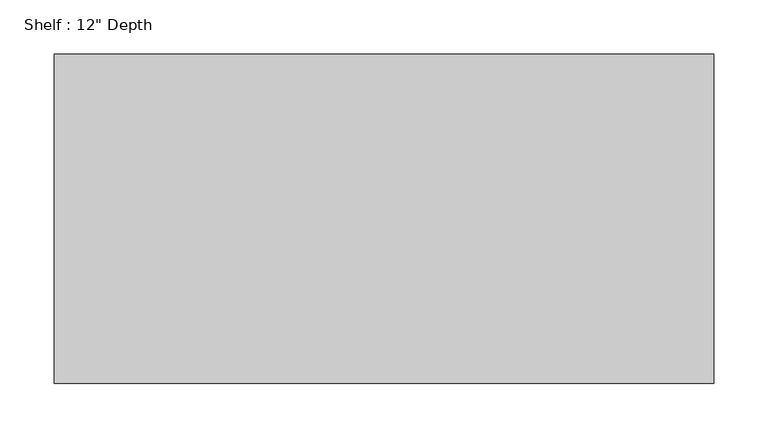
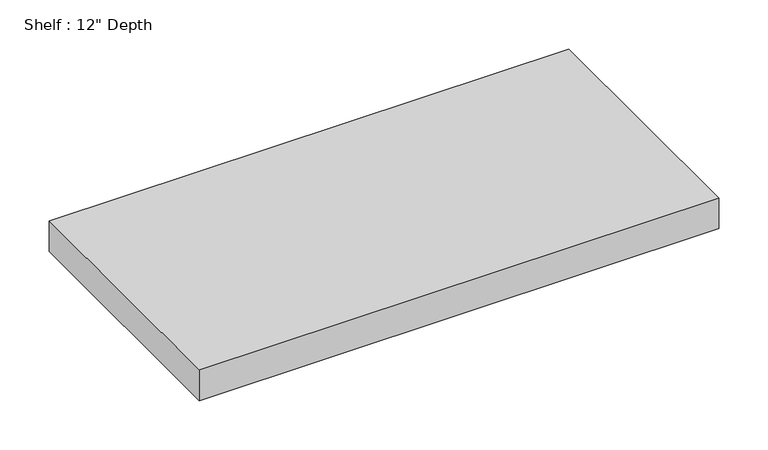
"""IFC4 building model written with IfcOpenShell, lengths in millimetres: furniture geometry."""

from ifc_helpers import new_model, si_unit, frame, origin, place, context, project, spatial, polyline, outline, extrude, source, transform, mapped, element, save


def furniture_66e16b3f(model_context):
    return source(origin(), model_context, "Body", "SweptSolid", [
        extrude(outline(polyline([(-590.8622951, 0.0), (-590.8622951, -304.8), (-1200.4622951, -304.8), (-1200.4622951, 0.0), (-590.8622951, 0.0)])), frame((0.0, 0.0, 876.3), z_axis=(0.0, 0.0, 1.0), x_axis=(1.0, 0.0, 0.0)), (0.0, 0.0, 1.0), 38.1),
    ])


if __name__ == "__main__":
    model = new_model("IFC4")
    model_context = context("Model", 3, world=origin())
    ifc_project = project(units=[si_unit("LENGTHUNIT", "METRE", prefix="MILLI")], contexts=[model_context])
    site = spatial("IfcSite", under=ifc_project)
    building = spatial("IfcBuilding", under=site)
    placement = place(None, origin())
    furniture_shape = furniture_66e16b3f(model_context)
    element("IfcFurniture", 1, ObjectType="Shelf : 12\" Depth", at=placement, inside=building, context=model_context, shape_type="MappedRepresentation", body=[
        mapped(furniture_shape, transform((0.0, 0.0, 0.0), x_axis=(1.0, 0.0, 0.0), y_axis=(0.0, 1.0, 0.0), z_axis=(0.0, 0.0, 1.0))),
    ])
    save(model, "model.ifc")
